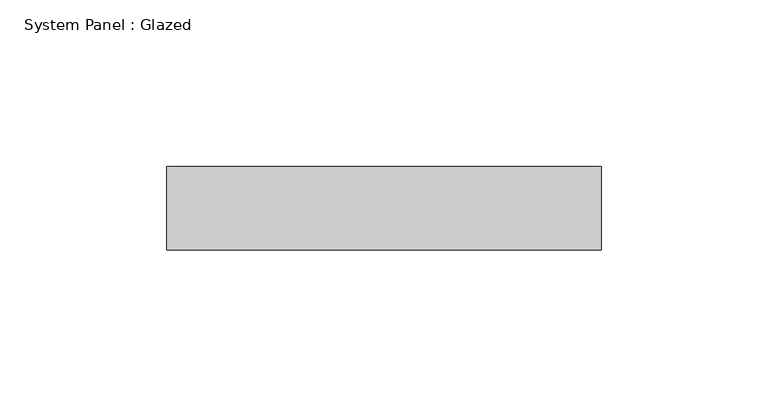
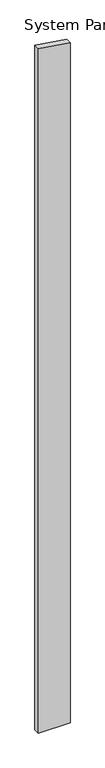
"""IFC4 building model written with IfcOpenShell, lengths in millimetres: plate geometry, System Panel : Glazed."""

from ifc_helpers import new_model, si_unit, frame, origin, place, context, project, spatial, polyline, outline, extrude, source, transform, mapped, element, save


def system_panel_glazed_76d129b5(model_context):
    return source(origin(), model_context, "Body", "SweptSolid", [
        extrude(outline(polyline([(0.0, -65.0), (0.0, 65.0), (2956.5990172, 65.0), (2975.841558, -65.0), (0.0, -65.0)])), frame((0.0, 24.5, 0.0), z_axis=(0.0, 1.0, 0.0), x_axis=(0.0, 0.0, 1.0)), (0.0, 0.0, 1.0), 25.0),
    ])


if __name__ == "__main__":
    model = new_model("IFC4")
    model_context = context("Model", 3, world=origin())
    ifc_project = project(units=[si_unit("LENGTHUNIT", "METRE", prefix="MILLI")], contexts=[model_context])
    site = spatial("IfcSite", under=ifc_project)
    building = spatial("IfcBuilding", under=site)
    placement = place(None, origin())
    system_panel_glazed_shape = system_panel_glazed_76d129b5(model_context)
    element("IfcPlate", 1, ObjectType="System Panel : Glazed", at=placement, inside=building, context=model_context, shape_type="MappedRepresentation", body=[
        mapped(system_panel_glazed_shape, transform((0.0, 0.0, 0.0), x_axis=(1.0, 0.0, 0.0), y_axis=(0.0, 1.0, 0.0), z_axis=(0.0, 0.0, 1.0))),
    ])
    save(model, "model.ifc")
